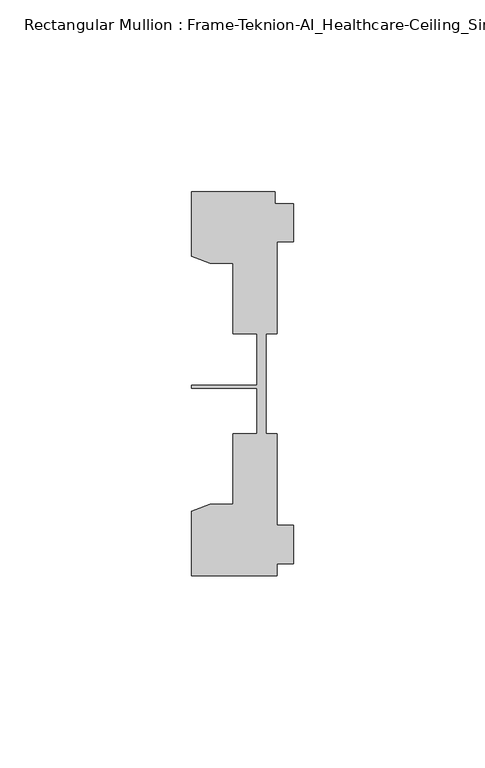
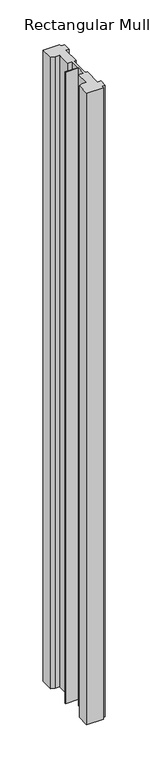
"""IFC4 building model written with IfcOpenShell, lengths in millimetres: member geometry, Rectangular Mullion : Frame-Teknion-AI_Healthcare-Ceiling_Single_Channel."""

from ifc_helpers import new_model, si_unit, frame, origin, place, context, project, spatial, polyline, outline, extrude, source, transform, mapped, element, save


def rectangular_mullion_frame_teknion_ai_healthcare_ceiling_5d0d5774(model_context):
    return source(origin(), model_context, "Body", "SweptSolid", [
        extrude(outline(polyline([(-26.4921999, 34.0201677), (-26.4921999, 50.8315128), (-4.7752002, 50.8315128), (-4.7752002, 47.782071), (0.0, 47.782071), (0.0, 37.7820716), (-4.2672007, 37.7820716), (-4.2672007, 13.9110722), (-7.1647766, 13.9110722), (-7.1647766, 0.0814804), (-7.1647766, -12.2509301), (-4.2672007, -12.2509301), (-4.2672007, -36.1219249), (0.0, -36.1219249), (0.0, -46.1219322), (-4.2672007, -46.1219322), (-4.2672007, -49.1699293), (-26.4921999, -49.1699293), (-26.4921999, -32.3600207), (-21.6625199, -30.6279561), (-15.6737764, -30.6279561), (-15.6737764, -12.2509301), (-9.4507761, -12.2509301), (-9.4507761, -0.4036528), (-26.4921999, -0.4036528), (-26.4921999, 0.4036528), (-9.4507761, 0.4036528), (-9.4507761, 13.9110722), (-15.6737764, 13.9110722), (-15.6737764, 32.2880982), (-21.6625199, 32.2880982), (-26.4921999, 34.0201677)])), frame((0.0, 0.0, -887.3222326), z_axis=(0.0, 0.0, 1.0), x_axis=(1.0, 0.0, 0.0)), (0.0, 0.0, 1.0), 887.3222326),
    ])


if __name__ == "__main__":
    model = new_model("IFC4")
    model_context = context("Model", 3, world=origin())
    ifc_project = project(units=[si_unit("LENGTHUNIT", "METRE", prefix="MILLI")], contexts=[model_context])
    site = spatial("IfcSite", under=ifc_project)
    building = spatial("IfcBuilding", under=site)
    placement = place(None, origin())
    rectangular_mullion_frame_teknion_ai_healthcare_ceiling_shape = rectangular_mullion_frame_teknion_ai_healthcare_ceiling_5d0d5774(model_context)
    element("IfcMember", 1, ObjectType="Rectangular Mullion : Frame-Teknion-AI_Healthcare-Ceiling_Single_Channel", at=placement, inside=building, context=model_context, shape_type="MappedRepresentation", body=[
        mapped(rectangular_mullion_frame_teknion_ai_healthcare_ceiling_shape, transform((0.0, 0.0, 0.0), x_axis=(1.0, 0.0, 0.0), y_axis=(0.0, 1.0, 0.0), z_axis=(0.0, 0.0, 1.0))),
    ])
    save(model, "model.ifc")
